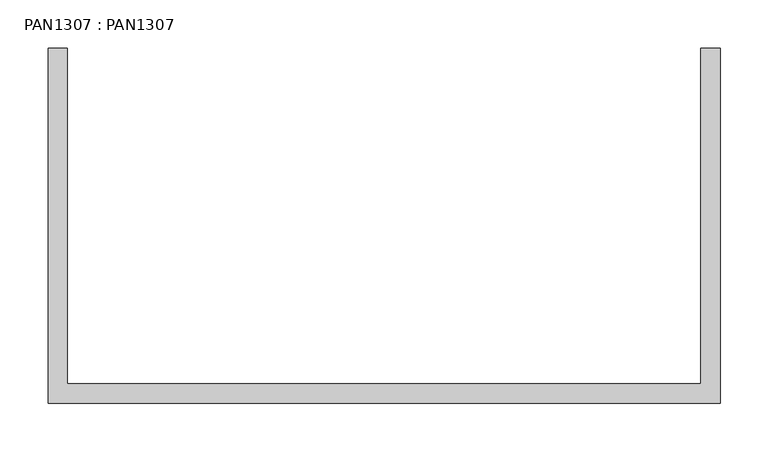
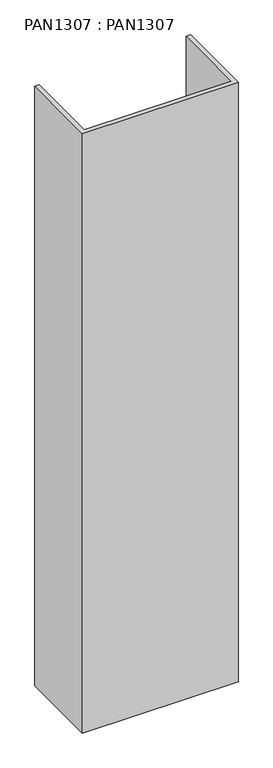
"""IFC4 building model written with IfcOpenShell, lengths in millimetres: proxy geometry, PAN1307 : PAN1307."""

from ifc_helpers import new_model, si_unit, origin, origin_with_axes, place, context, project, spatial, polyline, outline, extrude, source, transform, mapped, element, save


def pan1307_pan1307_943fcb37(model_context):
    return source(origin(), model_context, "Body", "SweptSolid", [
        extrude(outline(polyline([(350.0, -370.0), (-350.0, -370.0), (-350.0, 0.0), (-330.0, 0.0), (-330.0, -350.0), (330.0, -350.0), (330.0, 0.0), (350.0, 0.0), (350.0, -370.0)])), origin_with_axes(), (0.0, 0.0, 1.0), 2850.0),
    ])


if __name__ == "__main__":
    model = new_model("IFC4")
    model_context = context("Model", 3, world=origin())
    ifc_project = project(units=[si_unit("LENGTHUNIT", "METRE", prefix="MILLI")], contexts=[model_context])
    site = spatial("IfcSite", under=ifc_project)
    building = spatial("IfcBuilding", under=site)
    placement = place(None, origin())
    pan1307_pan1307_shape = pan1307_pan1307_943fcb37(model_context)
    element("IfcBuildingElementProxy", 1, Name="PAN1307 : PAN1307", ObjectType="PAN1307 : PAN1307", at=placement, inside=building, context=model_context, shape_type="MappedRepresentation", body=[
        mapped(pan1307_pan1307_shape, transform((0.0, 0.0, 0.0), x_axis=(1.0, 0.0, 0.0), y_axis=(0.0, 1.0, 0.0), z_axis=(0.0, 0.0, 1.0))),
    ])
    save(model, "model.ifc")
